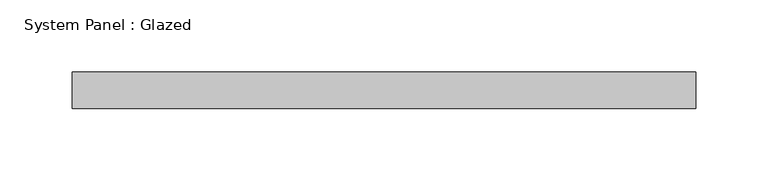
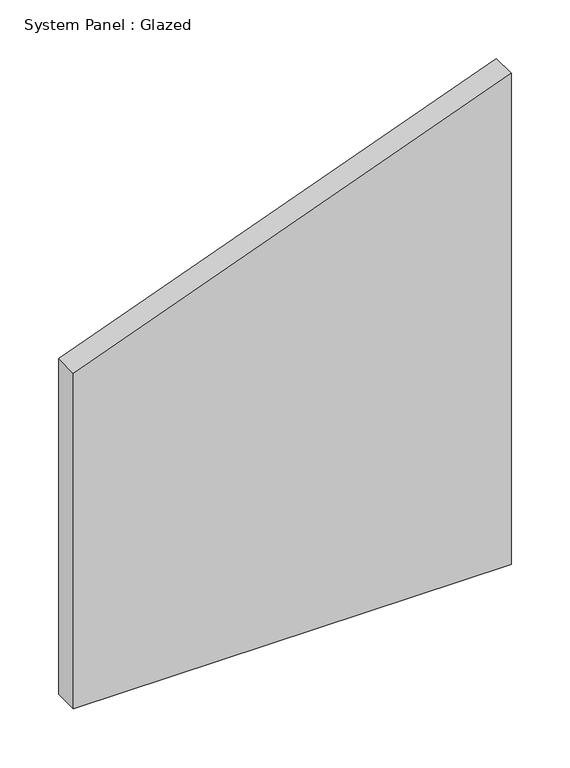
"""IFC4 building model written with IfcOpenShell, lengths in millimetres: plate geometry, System Panel : Glazed."""

from ifc_helpers import new_model, si_unit, frame, origin, place, context, project, spatial, polyline, outline, extrude, source, transform, mapped, element, save


def system_panel_glazed_1ca2da74(model_context):
    return source(origin(), model_context, "Body", "SweptSolid", [
        extrude(outline(polyline([(0.0, -215.7777609), (0.0, 215.7777609), (512.0256069, 215.7777609), (350.1922863, -215.7777609), (0.0, -215.7777609)])), frame((0.0, 19.05, 0.0), z_axis=(0.0, 1.0, 0.0), x_axis=(0.0, 0.0, 1.0)), (0.0, 0.0, 1.0), 25.4),
    ])


if __name__ == "__main__":
    model = new_model("IFC4")
    model_context = context("Model", 3, world=origin())
    ifc_project = project(units=[si_unit("LENGTHUNIT", "METRE", prefix="MILLI")], contexts=[model_context])
    site = spatial("IfcSite", under=ifc_project)
    building = spatial("IfcBuilding", under=site)
    placement = place(None, origin())
    system_panel_glazed_shape = system_panel_glazed_1ca2da74(model_context)
    element("IfcPlate", 1, ObjectType="System Panel : Glazed", at=placement, inside=building, context=model_context, shape_type="MappedRepresentation", body=[
        mapped(system_panel_glazed_shape, transform((0.0, 0.0, 0.0), x_axis=(1.0, 0.0, 0.0), y_axis=(0.0, 1.0, 0.0), z_axis=(0.0, 0.0, 1.0))),
    ])
    save(model, "model.ifc")
